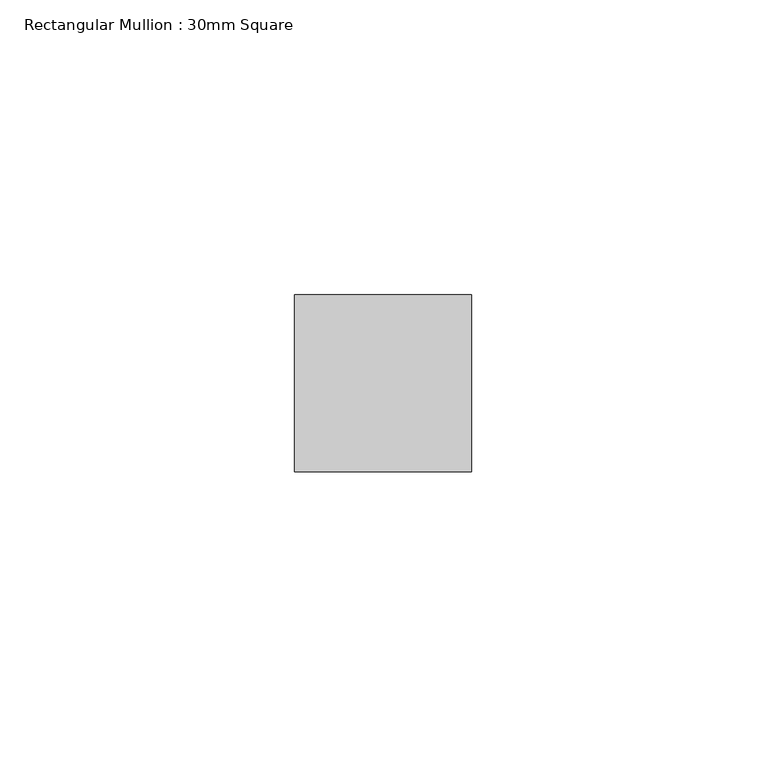
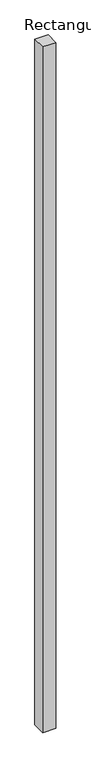
"""IFC4 building model written with IfcOpenShell, lengths in millimetres: member geometry, Rectangular Mullion : 30mm Square."""

from ifc_helpers import new_model, si_unit, frame, origin, place, context, project, spatial, polyline, outline, extrude, source, transform, mapped, element, save


def rectangular_mullion_30mm_square_cba05542(model_context):
    return source(origin(), model_context, "Body", "SweptSolid", [
        extrude(outline(polyline([(0.0, 15.0), (0.0, -15.0), (-30.0, -15.0), (-30.0, 15.0), (0.0, 15.0)])), frame((0.0, 0.0, -1630.5994295), z_axis=(0.0, 0.0, 1.0), x_axis=(1.0, 0.0, 0.0)), (0.0, 0.0, 1.0), 1630.5994295),
    ])


if __name__ == "__main__":
    model = new_model("IFC4")
    model_context = context("Model", 3, world=origin())
    ifc_project = project(units=[si_unit("LENGTHUNIT", "METRE", prefix="MILLI")], contexts=[model_context])
    site = spatial("IfcSite", under=ifc_project)
    building = spatial("IfcBuilding", under=site)
    placement = place(None, origin())
    rectangular_mullion_30mm_square_shape = rectangular_mullion_30mm_square_cba05542(model_context)
    element("IfcMember", 1, ObjectType="Rectangular Mullion : 30mm Square", at=placement, inside=building, context=model_context, shape_type="MappedRepresentation", body=[
        mapped(rectangular_mullion_30mm_square_shape, transform((0.0, 0.0, 0.0), x_axis=(1.0, 0.0, 0.0), y_axis=(0.0, 1.0, 0.0), z_axis=(0.0, 0.0, 1.0))),
    ])
    save(model, "model.ifc")
